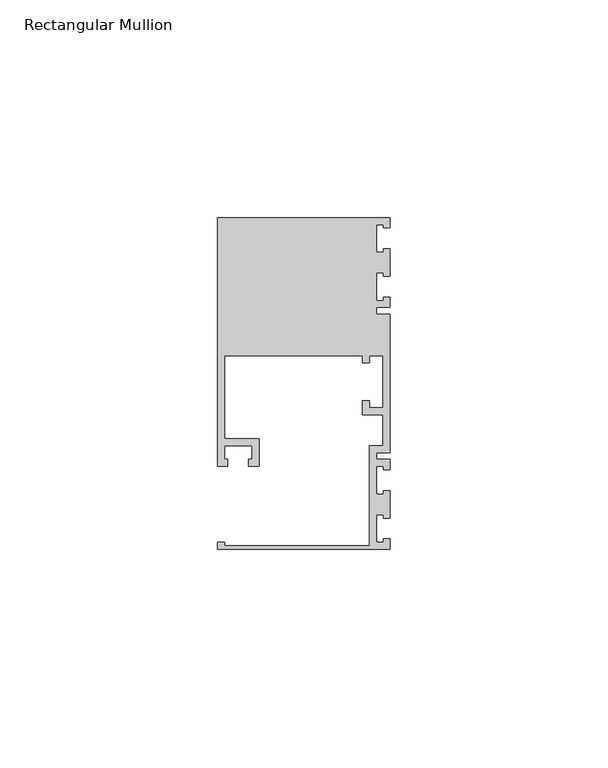
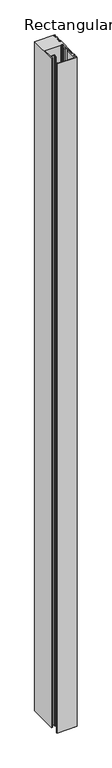
"""IFC4 building model written with IfcOpenShell, lengths in millimetres: member geometry, Rectangular Mullion."""

from ifc_helpers import new_model, si_unit, frame, origin, place, context, project, spatial, polyline, outline, extrude, source, transform, mapped, element, save


def rectangular_mullion_1658d891(model_context):
    return source(origin(), model_context, "Body", "SweptSolid", [
        extrude(outline(polyline([(0.0, -38.1), (-39.6875, -38.1), (-39.6875, -36.5125), (-38.1, -36.5125), (-38.1, -37.30625), (-4.7625, -37.30625), (-4.7625, -14.2875), (-1.5875, -14.2875), (-1.5875, -7.14375), (-6.35, -7.14375), (-6.35, -3.96875), (-4.7625, -3.96875), (-4.7625, -5.55625), (-1.5875, -5.55625), (-1.5875, 6.35), (-4.7625, 6.35), (-4.7625, 4.7625), (-6.35, 4.7625), (-6.35, 6.35), (-38.1, 6.35), (-38.1, -12.7), (-30.1625, -12.7), (-30.1625, -19.05), (-32.54375, -19.05), (-32.54375, -17.4625), (-31.75, -17.4625), (-31.75, -14.2875), (-38.1, -14.2875), (-38.1, -17.4625), (-37.30625, -17.4625), (-37.30625, -19.05), (-39.6875, -19.05), (-39.6875, 38.1), (0.0, 38.1), (0.0, 35.71875), (-1.4999946, 35.71875), (-1.4999946, 36.5125), (-3.175, 36.5125), (-3.175, 30.1625), (-1.4999946, 30.1625), (-1.4999946, 30.95625), (0.0, 30.95625), (0.0, 24.60625), (-1.4999946, 24.60625), (-1.4999946, 25.4), (-3.175, 25.4), (-3.175, 19.05), (-1.4999946, 19.05), (-1.4999946, 19.84375), (0.0, 19.84375), (0.0, 17.4625), (-3.175, 17.4625), (-3.175, 15.875), (0.0, 15.875), (0.0, -15.875), (-3.175, -15.875), (-3.175, -17.4625), (0.0, -17.4625), (0.0, -19.84375), (-1.4999946, -19.84375), (-1.4999946, -19.05), (-3.175, -19.05), (-3.175, -25.4), (-1.4999946, -25.4), (-1.4999946, -24.60625), (0.0, -24.60625), (0.0, -30.95625), (-1.4999946, -30.95625), (-1.4999946, -30.1625), (-3.175, -30.1625), (-3.175, -36.5125), (-1.4999946, -36.5125), (-1.4999946, -35.71875), (0.0, -35.71875), (0.0, -38.1)])), frame((0.0, 0.0, -1397.0), z_axis=(0.0, 0.0, 1.0), x_axis=(1.0, 0.0, 0.0)), (0.0, 0.0, 1.0), 1397.0),
    ])


if __name__ == "__main__":
    model = new_model("IFC4")
    model_context = context("Model", 3, world=origin())
    ifc_project = project(units=[si_unit("LENGTHUNIT", "METRE", prefix="MILLI")], contexts=[model_context])
    site = spatial("IfcSite", under=ifc_project)
    building = spatial("IfcBuilding", under=site)
    placement = place(None, origin())
    rectangular_mullion_shape = rectangular_mullion_1658d891(model_context)
    element("IfcMember", 1, ObjectType="Rectangular Mullion", at=placement, inside=building, context=model_context, shape_type="MappedRepresentation", body=[
        mapped(rectangular_mullion_shape, transform((0.0, 0.0, 0.0), x_axis=(1.0, 0.0, 0.0), y_axis=(0.0, 1.0, 0.0), z_axis=(0.0, 0.0, 1.0))),
    ])
    save(model, "model.ifc")
